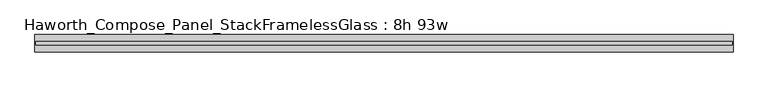
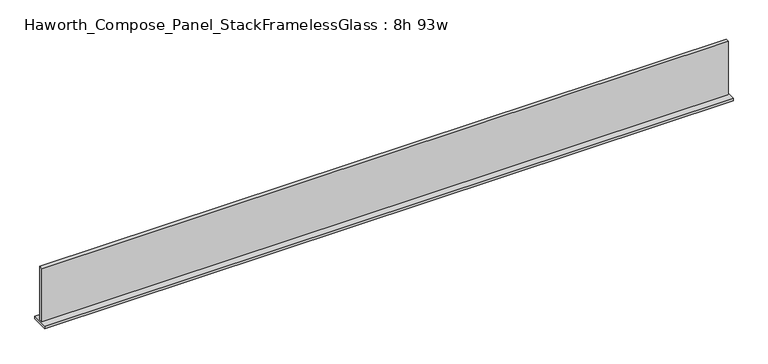
"""IFC4 building model written with IfcOpenShell, lengths in millimetres: furniture geometry, Haworth_Compose_Panel_StackFramelessGlass : 8h 93w."""

from ifc_helpers import new_model, si_unit, frame, origin, place, context, project, spatial, polyline, outline, extrude, source, transform, mapped, element, save


def haworth_compose_panel_stackframelessglass_8h_93w_76cd3380(model_context):
    return source(origin(), model_context, "Body", "SweptSolid", [
        extrude(outline(polyline([(1180.3652902, -27.3093594), (-1175.4847098, -27.3093594), (-1175.4847098, -14.6093594), (1180.3652902, -14.6093594), (1180.3652902, -27.3093594)])), frame((0.0, 0.0, 1279.525), z_axis=(0.0, 0.0, 1.0), x_axis=(1.0, 0.0, 0.0)), (0.0, 0.0, 1.0), 193.675),
        extrude(outline(polyline([(-1178.6597098, -50.3281094), (-1178.6597098, 8.4093906), (1183.5402902, 8.4093906), (1183.5402902, -50.3281094), (-1178.6597098, -50.3281094)])), frame((0.0, 0.0, 1270.0), z_axis=(0.0, 0.0, 1.0), x_axis=(1.0, 0.0, 0.0)), (0.0, 0.0, 1.0), 9.525),
    ])


if __name__ == "__main__":
    model = new_model("IFC4")
    model_context = context("Model", 3, world=origin())
    ifc_project = project(units=[si_unit("LENGTHUNIT", "METRE", prefix="MILLI")], contexts=[model_context])
    site = spatial("IfcSite", under=ifc_project)
    building = spatial("IfcBuilding", under=site)
    placement = place(None, origin())
    haworth_compose_panel_stackframelessglass_8h_93w_shape = haworth_compose_panel_stackframelessglass_8h_93w_76cd3380(model_context)
    element("IfcFurniture", 1, ObjectType="Haworth_Compose_Panel_StackFramelessGlass : 8h 93w", at=placement, inside=building, context=model_context, shape_type="MappedRepresentation", body=[
        mapped(haworth_compose_panel_stackframelessglass_8h_93w_shape, transform((0.0, 0.0, 0.0), x_axis=(1.0, 0.0, 0.0), y_axis=(0.0, 1.0, 0.0), z_axis=(0.0, 0.0, 1.0))),
    ])
    save(model, "model.ifc")
